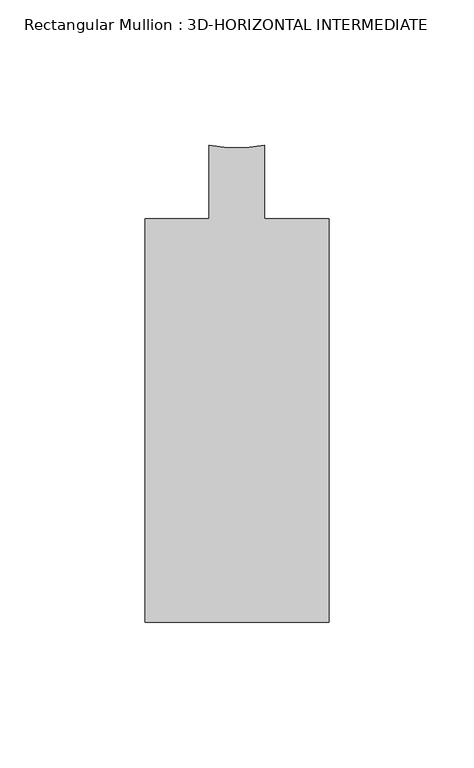
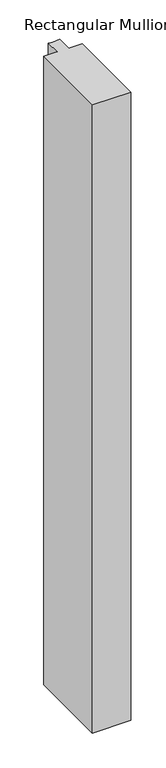
"""IFC4 building model written with IfcOpenShell, lengths in millimetres: member geometry, Rectangular Mullion : 3D-HORIZONTAL INTERMEDIATE."""

from ifc_helpers import new_model, si_unit, point, frame, frame_2d, origin, place, context, project, spatial, polyline, circle_curve, trimmed, segment, composite_curve, outline, extrude, source, transform, mapped, element, save


def rectangular_mullion_3d_horizontal_intermediate_135b9e58(model_context):
    return source(origin(), model_context, "Body", "SweptSolid", [
        extrude(outline(composite_curve([segment(polyline([(-31.75, -27.8368125), (-9.5251132, -27.8368125), (-9.5251132, -2.4368125)]), True, "CONTINUOUS"), segment(trimmed(circle_curve(frame_2d((0.0, 38.2587718)), 41.7954347), [point((-9.5251132, -2.4368125))], [point((9.5251132, -2.4368125))], True, "CARTESIAN"), True, "CONTINUOUS"), segment(polyline([(9.5251132, -2.4368125), (9.5251132, -27.8368125), (31.75, -27.8368125), (31.75, -167.0288125), (-31.75, -167.0288125), (-31.75, -27.8368125)]), True, "CONTINUOUS")], self_intersect=False)), frame((0.0, 0.0, -1098.55), z_axis=(0.0, 0.0, 1.0), x_axis=(1.0, 0.0, 0.0)), (0.0, 0.0, 1.0), 1098.55),
    ])


if __name__ == "__main__":
    model = new_model("IFC4")
    model_context = context("Model", 3, world=origin())
    ifc_project = project(units=[si_unit("LENGTHUNIT", "METRE", prefix="MILLI")], contexts=[model_context])
    site = spatial("IfcSite", under=ifc_project)
    building = spatial("IfcBuilding", under=site)
    placement = place(None, origin())
    rectangular_mullion_3d_horizontal_intermediate_shape = rectangular_mullion_3d_horizontal_intermediate_135b9e58(model_context)
    element("IfcMember", 1, ObjectType="Rectangular Mullion : 3D-HORIZONTAL INTERMEDIATE", at=placement, inside=building, context=model_context, shape_type="MappedRepresentation", body=[
        mapped(rectangular_mullion_3d_horizontal_intermediate_shape, transform((0.0, 0.0, 0.0), x_axis=(1.0, 0.0, 0.0), y_axis=(0.0, 1.0, 0.0), z_axis=(0.0, 0.0, 1.0))),
    ])
    save(model, "model.ifc")
